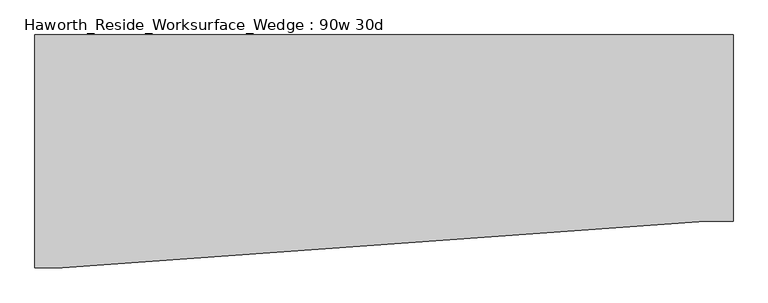
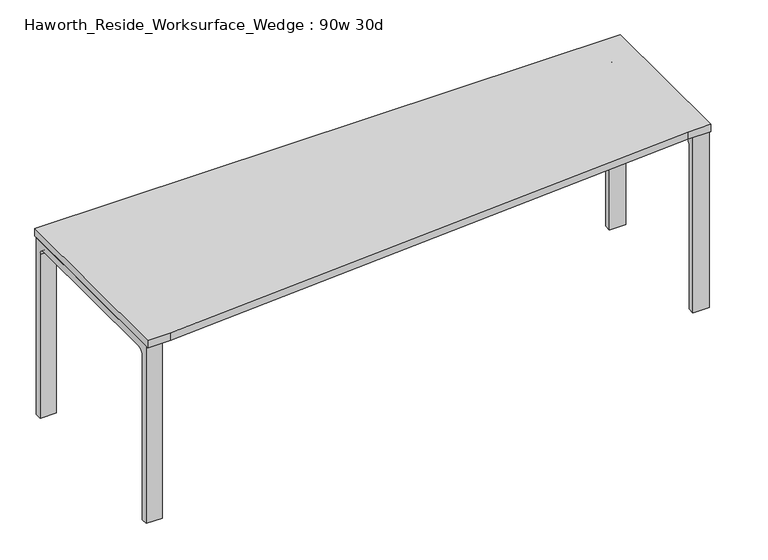
"""IFC4 building model written with IfcOpenShell, lengths in millimetres: furniture geometry, Haworth_Reside_Worksurface_Wedge : 90w 30d."""

from ifc_helpers import new_model, si_unit, point, frame, frame_2d, origin, place, context, project, spatial, polyline, circle_curve, trimmed, segment, composite_curve, outline, extrude, source, transform, mapped, element, save


def haworth_reside_worksurface_wedge_90w_30d_e758f924(model_context):
    return source(origin(), model_context, "Body", "SweptSolid", [
        extrude(outline(composite_curve([segment(trimmed(circle_curve(frame_2d((396.875, 676.275)), 25.4), [point((422.275, 676.275))], [point((396.875, 701.675))], True, "CARTESIAN"), True, "CONTINUOUS"), segment(polyline([(396.875, 701.675), (-92.075, 701.675)]), True, "CONTINUOUS"), segment(trimmed(circle_curve(frame_2d((-92.075, 676.275)), 25.4), [point((-92.075, 701.675))], [point((-117.475, 676.275))], True, "CARTESIAN"), True, "CONTINUOUS"), segment(polyline([(-117.475, 676.275), (-117.475, 0.0), (-142.875, 0.0), (-142.875, 731.8375), (447.675, 731.8375), (447.675, 0.0), (422.275, 0.0), (422.275, 676.275)]), True, "CONTINUOUS")], self_intersect=False)), frame((1079.5, 0.0, 0.0), z_axis=(1.0, 0.0, 0.0), x_axis=(0.0, 1.0, 0.0)), (0.0, 0.0, 1.0), 63.5),
        extrude(outline(composite_curve([segment(trimmed(circle_curve(frame_2d((396.875, 676.275)), 25.4), [point((422.275, 676.275))], [point((396.875, 701.675))], True, "CARTESIAN"), True, "CONTINUOUS"), segment(polyline([(396.875, 701.675), (-244.475, 701.675)]), True, "CONTINUOUS"), segment(trimmed(circle_curve(frame_2d((-244.475, 676.275)), 25.4), [point((-244.475, 701.675))], [point((-269.875, 676.275))], True, "CARTESIAN"), True, "CONTINUOUS"), segment(polyline([(-269.875, 676.275), (-269.875, 0.0), (-295.275, 0.0), (-295.275, 731.8375), (447.675, 731.8375), (447.675, 0.0), (422.275, 0.0), (422.275, 676.275)]), True, "CONTINUOUS")], self_intersect=False)), frame((-1143.0, 0.0, 0.0), z_axis=(1.0, 0.0, 0.0), x_axis=(0.0, 1.0, 0.0)), (0.0, 0.0, 1.0), 63.5),
        extrude(outline(polyline([(1143.0, 457.2), (1143.0, -152.4), (1054.1, -152.4), (-1054.1, -304.8), (-1143.0, -304.8), (-1143.0, 457.2), (1143.0, 457.2)])), frame((0.0, 0.0, 731.8375), z_axis=(0.0, 0.0, 1.0), x_axis=(1.0, 0.0, 0.0)), (0.0, 0.0, 1.0), 30.1625),
    ])


if __name__ == "__main__":
    model = new_model("IFC4")
    model_context = context("Model", 3, world=origin())
    ifc_project = project(units=[si_unit("LENGTHUNIT", "METRE", prefix="MILLI")], contexts=[model_context])
    site = spatial("IfcSite", under=ifc_project)
    building = spatial("IfcBuilding", under=site)
    placement = place(None, origin())
    haworth_reside_worksurface_wedge_90w_30d_shape = haworth_reside_worksurface_wedge_90w_30d_e758f924(model_context)
    element("IfcFurniture", 1, ObjectType="Haworth_Reside_Worksurface_Wedge : 90w 30d", at=placement, inside=building, context=model_context, shape_type="MappedRepresentation", body=[
        mapped(haworth_reside_worksurface_wedge_90w_30d_shape, transform((0.0, 0.0, 0.0), x_axis=(1.0, 0.0, 0.0), y_axis=(0.0, 1.0, 0.0), z_axis=(0.0, 0.0, 1.0))),
    ])
    save(model, "model.ifc")
